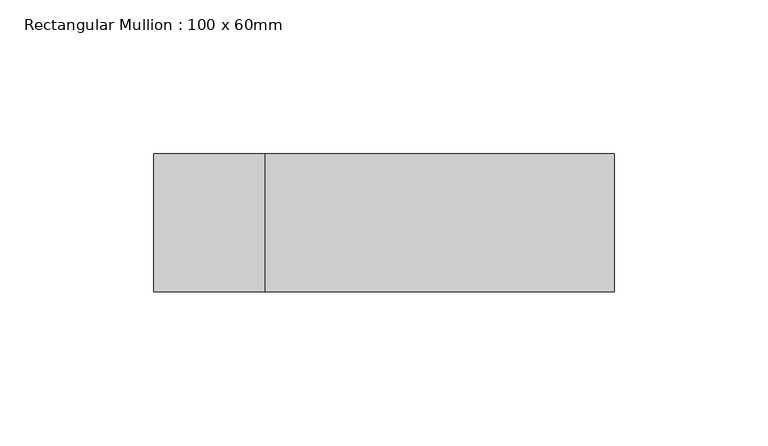
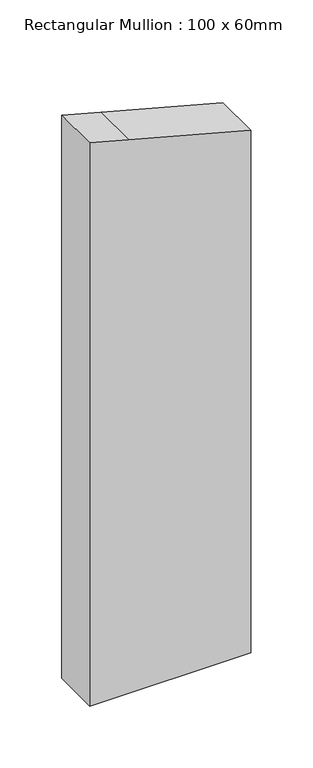
"""IFC4 building model written with IfcOpenShell, lengths in millimetres: member geometry, Rectangular Mullion : 100 x 60mm."""

from ifc_helpers import new_model, si_unit, frame, origin, place, context, project, spatial, polyline, outline, extrude, source, transform, mapped, element, save


def rectangular_mullion_100_x_60mm_6b5dbcc1(model_context):
    return source(origin(), model_context, "Body", "SweptSolid", [
        extrude(outline(polyline([(-175.3876165, 75.0), (-144.8888739, -38.8228568), (-135.1952376, -75.0), (-690.1841203, -75.0), (-690.1841203, 75.0), (-175.3876165, 75.0)])), frame((0.0, -15.0, 0.0), z_axis=(0.0, 1.0, 0.0), x_axis=(0.0, 0.0, 1.0)), (0.0, 0.0, 1.0), 45.0),
    ])


if __name__ == "__main__":
    model = new_model("IFC4")
    model_context = context("Model", 3, world=origin())
    ifc_project = project(units=[si_unit("LENGTHUNIT", "METRE", prefix="MILLI")], contexts=[model_context])
    site = spatial("IfcSite", under=ifc_project)
    building = spatial("IfcBuilding", under=site)
    placement = place(None, origin())
    rectangular_mullion_100_x_60mm_shape = rectangular_mullion_100_x_60mm_6b5dbcc1(model_context)
    element("IfcMember", 1, ObjectType="Rectangular Mullion : 100 x 60mm", at=placement, inside=building, context=model_context, shape_type="MappedRepresentation", body=[
        mapped(rectangular_mullion_100_x_60mm_shape, transform((0.0, 0.0, 0.0), x_axis=(1.0, 0.0, 0.0), y_axis=(0.0, 1.0, 0.0), z_axis=(0.0, 0.0, 1.0))),
    ])
    save(model, "model.ifc")
